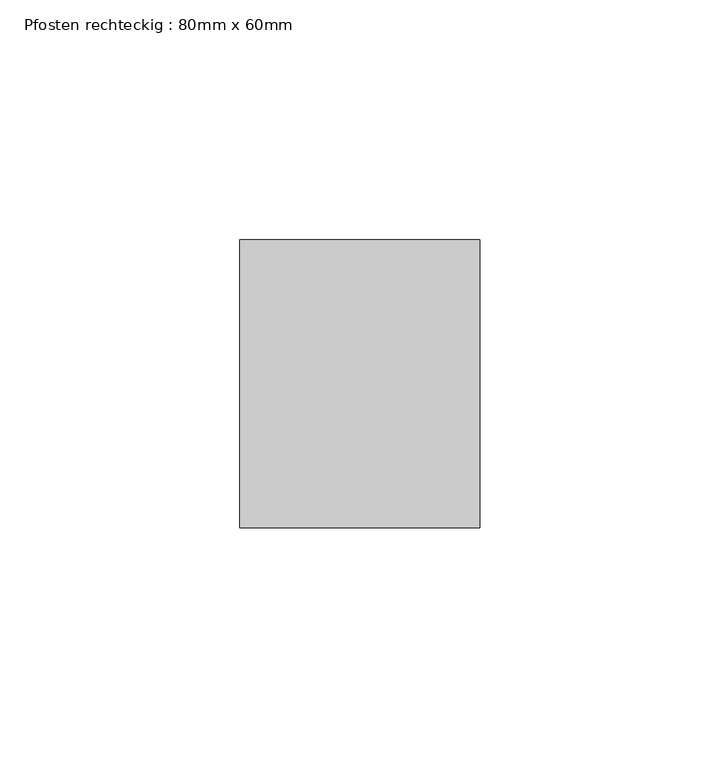
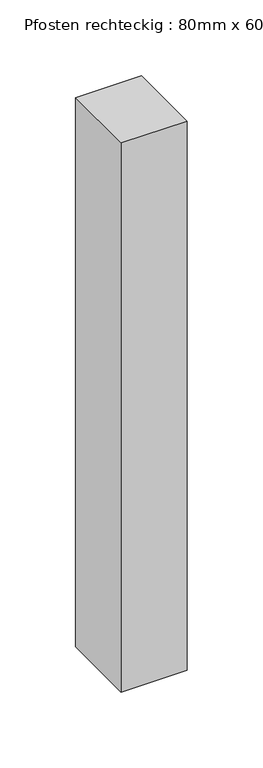
"""IFC4 building model written with IfcOpenShell, lengths in millimetres: member geometry, Pfosten rechteckig : 80mm x 60mm."""

from ifc_helpers import new_model, si_unit, frame, origin, place, context, project, spatial, polyline, outline, extrude, source, transform, mapped, element, save


def pfosten_rechteckig_80mm_x_60mm_09b88acf(model_context):
    return source(origin(), model_context, "Body", "SweptSolid", [
        extrude(outline(polyline([(25.0, 30.0), (25.0, -30.0), (-25.0, -30.0), (-25.0, 30.0), (25.0, 30.0)])), frame((0.0, 0.0, -441.6666667), z_axis=(0.0, 0.0, 1.0), x_axis=(1.0, 0.0, 0.0)), (0.0, 0.0, 1.0), 441.6666667),
    ])


if __name__ == "__main__":
    model = new_model("IFC4")
    model_context = context("Model", 3, world=origin())
    ifc_project = project(units=[si_unit("LENGTHUNIT", "METRE", prefix="MILLI")], contexts=[model_context])
    site = spatial("IfcSite", under=ifc_project)
    building = spatial("IfcBuilding", under=site)
    placement = place(None, origin())
    pfosten_rechteckig_80mm_x_60mm_shape = pfosten_rechteckig_80mm_x_60mm_09b88acf(model_context)
    element("IfcMember", 1, ObjectType="Pfosten rechteckig : 80mm x 60mm", at=placement, inside=building, context=model_context, shape_type="MappedRepresentation", body=[
        mapped(pfosten_rechteckig_80mm_x_60mm_shape, transform((0.0, 0.0, 0.0), x_axis=(1.0, 0.0, 0.0), y_axis=(0.0, 1.0, 0.0), z_axis=(0.0, 0.0, 1.0))),
    ])
    save(model, "model.ifc")
